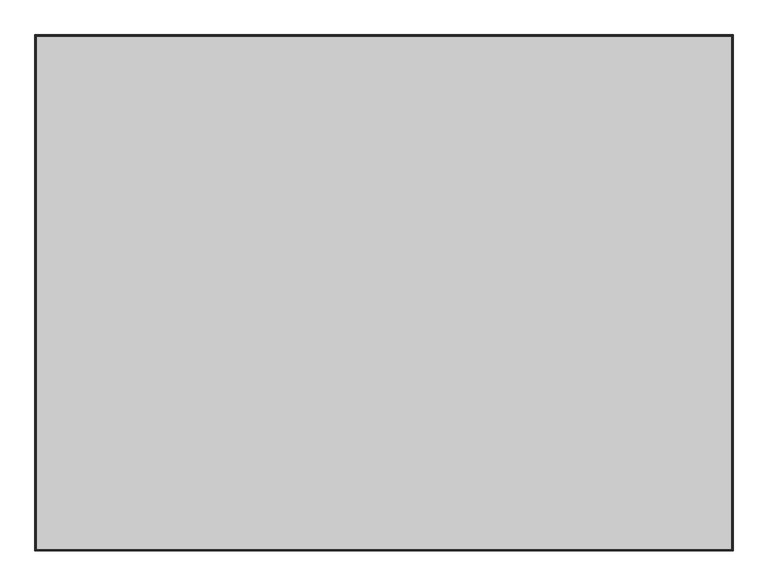
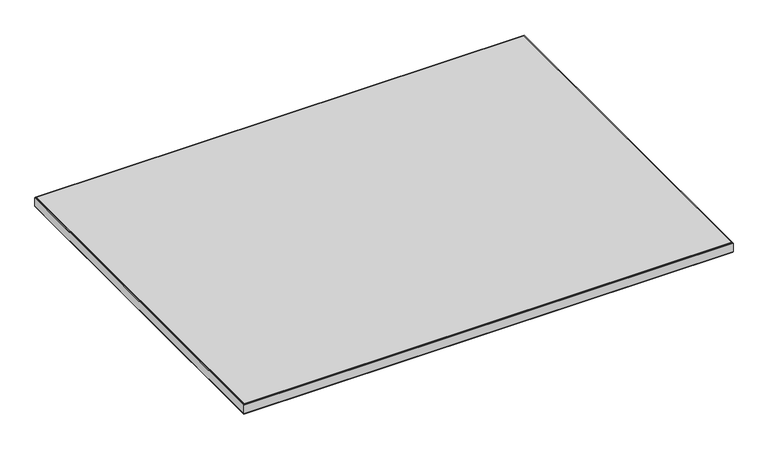
"""IFC4 building model written with IfcOpenShell, lengths in millimetres: furniture geometry."""

import ifcopenshell
import ifcopenshell.guid

model = None  # the IFC model being written
_history = None  # IfcOwnerHistory: only IFC2X3 demands one
_inside = {}  # id of a spatial element -> (the spatial element, [elements in it])
_under = {}  # id of a project, library or spatial element -> (it, [spatial elements below it])
_declared = {}  # id of a project -> (the project, [libraries it declares])
_typed = {}  # id of a type object -> (the type object, [elements of that type])
_made_of = {}  # id of a material, layer set ... -> (it, [elements and type objects made of it])


def new_model(schema):
    """Start an empty IFC model of exactly this schema.

    Asked for "IFC4X3", IfcOpenShell would pick the latest addendum, in which some entities
    have other attributes; the version numbers below select the first issue.
    IFC2X3 requires an IfcOwnerHistory on every rooted entity: one is made here for all.
    """
    global model, _history
    if schema == "IFC4X3":
        model = ifcopenshell.file(schema_version=(4, 3, 0, 0))
    else:
        model = ifcopenshell.file(schema=schema)
    _inside.clear()
    _under.clear()
    _declared.clear()
    _typed.clear()
    _made_of.clear()
    _history = None
    if model.schema == "IFC2X3":
        org = make("IfcOrganization", Name="unknown")
        user = make(
            "IfcPersonAndOrganization",
            ThePerson=make("IfcPerson", FamilyName="unknown"),
            TheOrganization=org,
        )
        app = make(
            "IfcApplication",
            ApplicationDeveloper=org,
            Version="unknown",
            ApplicationFullName="unknown",
            ApplicationIdentifier="unknown",
        )
        _history = make(
            "IfcOwnerHistory",
            OwningUser=user,
            OwningApplication=app,
            ChangeAction="ADDED",
            CreationDate=0,
        )
    return model


def make(cls, **values):
    """One entity of the class cls with the attributes given. An attribute that is None is left unset."""
    return model.create_entity(
        cls, **{name: value for name, value in values.items() if value is not None}
    )


def rooted(cls, **values):
    """An entity with a GlobalId (a new one), such as an element, a storey or a relation."""
    return make(cls, GlobalId=ifcopenshell.guid.new(), OwnerHistory=_history, **values)


def si_unit(unit_type, name, prefix=None):
    """IfcSIUnit, for example si_unit("LENGTHUNIT", "METRE", prefix="MILLI")."""
    return make("IfcSIUnit", UnitType=unit_type, Prefix=prefix, Name=name)


def assignment(units):
    """IfcUnitAssignment: the units of a project."""
    return None if units is None else make("IfcUnitAssignment", Units=units)


def point(xyz):
    """IfcCartesianPoint."""
    return None if xyz is None else make("IfcCartesianPoint", Coordinates=xyz)


def direction(xyz):
    """IfcDirection."""
    return None if xyz is None else make("IfcDirection", DirectionRatios=xyz)


def frame(location, z_axis=None, x_axis=None):
    """IfcAxis2Placement3D, a coordinate frame: its origin and axes. An axis left out is left unset."""
    return make(
        "IfcAxis2Placement3D",
        Location=point(location),
        Axis=direction(z_axis),
        RefDirection=direction(x_axis),
    )


def origin():
    """The frame at (0, 0, 0) with its axes left unset."""
    return frame((0.0, 0.0, 0.0))


def place(relative_to, where):
    """IfcLocalPlacement: puts the frame where relative to a parent placement (None: the world)."""
    return make(
        "IfcLocalPlacement", PlacementRelTo=relative_to, RelativePlacement=where
    )


def context(
    kind, dimensions, precision=None, world=None, true_north=None, identifier=None
):
    """IfcGeometricRepresentationContext, for example the 3D "Model" context."""
    return make(
        "IfcGeometricRepresentationContext",
        ContextIdentifier=identifier,
        ContextType=kind,
        CoordinateSpaceDimension=dimensions,
        Precision=precision,
        WorldCoordinateSystem=world,
        TrueNorth=true_north,
    )


def project(units=None, contexts=None):
    """IfcProject with its units and contexts."""
    return rooted(
        "IfcProject",
        Name="project",
        RepresentationContexts=contexts,
        UnitsInContext=assignment(units),
    )


def spatial(cls, under=None, at=None, **own):
    """A site, building, storey or space (cls), placed at a placement, below another one or the project."""
    s = rooted(cls, ObjectPlacement=at, **own)
    if under is not None:
        _under.setdefault(under.id(), (under, []))[1].append(s)
    return s


def polyline(points):
    """IfcPolyline through the points."""
    return make("IfcPolyline", Points=[point(p) for p in points])


def outline(outer, holes=None, kind="AREA"):
    """IfcArbitraryClosedProfileDef: a profile drawn as a closed curve; with holes, ...WithVoids."""
    if holes is None:
        return make("IfcArbitraryClosedProfileDef", ProfileType=kind, OuterCurve=outer)
    return make(
        "IfcArbitraryProfileDefWithVoids",
        ProfileType=kind,
        OuterCurve=outer,
        InnerCurves=holes,
    )


def extrude(swept, where, along, depth):
    """IfcExtrudedAreaSolid: the profile swept, set in the frame where, extruded along a direction by depth."""
    return make(
        "IfcExtrudedAreaSolid",
        SweptArea=swept,
        Position=where,
        ExtrudedDirection=direction(along),
        Depth=depth,
    )


def faces_of(points, faces, orient=None, outer=None):
    """IfcFace entities. A face is a list of loops; a loop is a list of indices into points, from 0.

    orient and outer hold one flag for each loop. By default every Orientation is true, the
    first loop of a face is its IfcFaceOuterBound and the others are IfcFaceBound.
    """
    made = []
    for i, loops in enumerate(faces):
        bounds = []
        for j, loop in enumerate(loops):
            is_outer = j == 0 if outer is None else outer[i][j]
            bounds.append(
                make(
                    "IfcFaceOuterBound" if is_outer else "IfcFaceBound",
                    Bound=make("IfcPolyLoop", Polygon=[points[k] for k in loop]),
                    Orientation=True if orient is None else orient[i][j],
                )
            )
        made.append(make("IfcFace", Bounds=bounds))
    return made


def faceted_brep(points, faces, orient=None, outer=None, voids=None):
    """IfcFacetedBrep: a solid bounded by flat faces; with voids (closed shells), ...WithVoids."""
    shared = [point(p) for p in points]
    hull = make("IfcClosedShell", CfsFaces=faces_of(shared, faces, orient, outer))
    if voids is None:
        return make("IfcFacetedBrep", Outer=hull)
    return make(
        "IfcFacetedBrepWithVoids",
        Outer=hull,
        Voids=[
            make(cls, CfsFaces=faces_of(shared, fs, o, b)) for cls, fs, o, b in voids
        ],
    )


def shape(context_of_items, identifier, shape_type, items):
    """IfcShapeRepresentation: the items that make up one representation, for example the "Body"."""
    return make(
        "IfcShapeRepresentation",
        ContextOfItems=context_of_items,
        RepresentationIdentifier=identifier,
        RepresentationType=shape_type,
        Items=items,
    )


def source(mapping_origin, context_of_items, identifier, shape_type, items):
    """IfcRepresentationMap: a shape defined once, which mapped items show again and again."""
    return make(
        "IfcRepresentationMap",
        MappingOrigin=mapping_origin,
        MappedRepresentation=shape(context_of_items, identifier, shape_type, items),
    )


def transform(
    local_origin,
    x_axis=None,
    y_axis=None,
    z_axis=None,
    scale=None,
    scale2=None,
    scale3=None,
    uniform=True,
):
    """IfcCartesianTransformationOperator3D, or its non-uniform kind. x_axis, y_axis, z_axis: its Axis1, 2, 3."""
    if uniform:
        return make(
            "IfcCartesianTransformationOperator3D",
            Axis1=direction(x_axis),
            Axis2=direction(y_axis),
            LocalOrigin=point(local_origin),
            Scale=scale,
            Axis3=direction(z_axis),
        )
    return make(
        "IfcCartesianTransformationOperator3DnonUniform",
        Axis1=direction(x_axis),
        Axis2=direction(y_axis),
        LocalOrigin=point(local_origin),
        Scale=scale,
        Axis3=direction(z_axis),
        Scale2=scale2,
        Scale3=scale3,
    )


def mapped(mapping_source, mapping_target):
    """IfcMappedItem: shows the shape of a source again, moved by a transform."""
    return make(
        "IfcMappedItem", MappingSource=mapping_source, MappingTarget=mapping_target
    )


def made_of(thing, what):
    """Note that an element or type object is made of a material, layer set ...; save() writes the relation."""
    if what is not None:
        _made_of.setdefault(what.id(), (what, []))[1].append(thing)
    return thing


def element(
    cls,
    number,
    at=None,
    inside=None,
    cuts=None,
    type_object=None,
    material=None,
    context=None,
    identifier="Body",
    shape_type=None,
    held_by="IfcProductDefinitionShape",
    body=None,
    shapes=None,
    **own,
):
    """One element of the class cls, such as IfcWall. Its Tag is "e" and its number.

    at: its placement. inside: the storey or other place that contains it. cuts: it is an
    opening in that element (IfcRelVoidsElement). A single representation is given by context,
    identifier, shape_type and body (its items); several are given by shapes. held_by: the class
    of the entity that holds the representations. save() writes the other relations.
    """
    e = rooted(cls, Tag="e%d" % number, ObjectPlacement=at, **own)
    if body is not None:
        shapes = [shape(context, identifier, shape_type, body)]
    if shapes is not None:
        e.Representation = make(held_by, Representations=shapes)
    if inside is not None:
        _inside.setdefault(inside.id(), (inside, []))[1].append(e)
    if cuts is not None:
        rooted(
            "IfcRelVoidsElement", RelatingBuildingElement=cuts, RelatedOpeningElement=e
        )
    if type_object is not None:
        _typed.setdefault(type_object.id(), (type_object, []))[1].append(e)
    return made_of(e, material)


def aggregate(whole, parts):
    """IfcRelAggregates: a whole, such as a stair, and the parts it consists of."""
    return rooted("IfcRelAggregates", RelatingObject=whole, RelatedObjects=parts)


def save(model, path):
    """Write the relations noted so far, then the file.

    IfcRelAggregates (storeys below a building ...), IfcRelContainedInSpatialStructure (elements
    in a storey), IfcRelDefinesByType, IfcRelAssociatesMaterial and IfcRelDeclares: one each for
    every whole, place, type object, material and project.
    """
    for whole, parts in _under.values():
        aggregate(whole, parts)
    for where, things in _inside.values():
        rooted(
            "IfcRelContainedInSpatialStructure",
            RelatedElements=things,
            RelatingStructure=where,
        )
    for kind, things in _typed.values():
        rooted("IfcRelDefinesByType", RelatedObjects=things, RelatingType=kind)
    for what, things in _made_of.values():
        rooted("IfcRelAssociatesMaterial", RelatedObjects=things, RelatingMaterial=what)
    for by, libraries in _declared.values():
        rooted("IfcRelDeclares", RelatingContext=by, RelatedDefinitions=libraries)
    model.write(path)


def furniture_d8dd8ff7(model_context):
    return source(origin(), model_context, "Body", "SolidModel", [
        faceted_brep([(0.5857844, -450.256766, 711.7885147), (2.0066, -448.8359505, 711.1999864), (1217.1934, -448.8359505, 711.1999864), (1218.6142156, -450.256766, 711.7885147), (0.0, -450.8425505, 713.2027355), (1219.2, -450.8425505, 713.2027355), (0.0, -450.8425505, 736.1240358), (1219.2, -450.8425505, 736.1240358), (0.5857844, -450.256766, 737.5381937), (1218.6142156, -450.256766, 737.5381937), (2.0066, -448.8359505, 738.1239864), (1217.1934, -448.8359505, 738.1239864), (1217.1934, 448.8508253, 711.1999864), (1218.6142156, 450.2716408, 711.7885147), (1219.2, 450.8574253, 713.2027355), (1219.2, 450.8574253, 736.1240358), (1218.6142156, 450.2716408, 737.5381937), (1217.1934, 448.8508253, 738.1239864), (2.0066, 448.8508253, 711.1999864), (0.5857844, 450.2716408, 711.7885147), (0.0, 450.8574253, 713.2027355), (0.0, 450.8574253, 736.1240358), (0.5857844, 450.2716408, 737.5381937), (2.0066, 448.8508253, 738.1239864)], [[[0, 1, 2, 3]], [[4, 0, 3, 5]], [[6, 4, 5, 7]], [[8, 6, 7, 9]], [[10, 8, 9, 11]], [[1, 10, 11, 2]], [[3, 2, 12, 13]], [[5, 3, 13, 14]], [[7, 5, 14, 15]], [[9, 7, 15, 16]], [[11, 9, 16, 17]], [[2, 11, 17, 12]], [[13, 12, 18, 19]], [[14, 13, 19, 20]], [[15, 14, 20, 21]], [[16, 15, 21, 22]], [[17, 16, 22, 23]], [[12, 17, 23, 18]], [[19, 18, 1, 0]], [[20, 19, 0, 4]], [[21, 20, 4, 6]], [[22, 21, 6, 8]], [[23, 22, 8, 10]], [[18, 23, 10, 1]]]),
        extrude(outline(polyline([(2.0066, -448.8359505), (2.0066, 448.8508253), (1217.1934, 448.8508253), (1217.1934, -448.8359505), (2.0066, -448.8359505)])), frame((0.0, 0.0, 711.1999864), z_axis=(0.0, 0.0, 1.0), x_axis=(1.0, 0.0, 0.0)), (0.0, 0.0, 1.0), 26.924),
    ])


if __name__ == "__main__":
    model = new_model("IFC4")
    model_context = context("Model", 3, world=origin())
    ifc_project = project(units=[si_unit("LENGTHUNIT", "METRE", prefix="MILLI")], contexts=[model_context])
    site = spatial("IfcSite", under=ifc_project)
    building = spatial("IfcBuilding", under=site)
    placement = place(None, origin())
    furniture_shape = furniture_d8dd8ff7(model_context)
    element("IfcFurniture", 1, at=placement, inside=building, context=model_context, shape_type="MappedRepresentation", body=[
        mapped(furniture_shape, transform((0.0, 0.0, 0.0), x_axis=(1.0, 0.0, 0.0), y_axis=(0.0, 1.0, 0.0), z_axis=(0.0, 0.0, 1.0))),
    ])
    save(model, "model.ifc")
